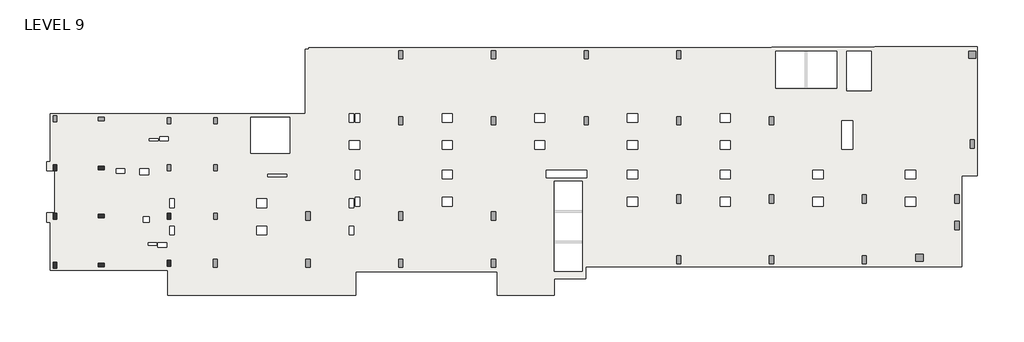
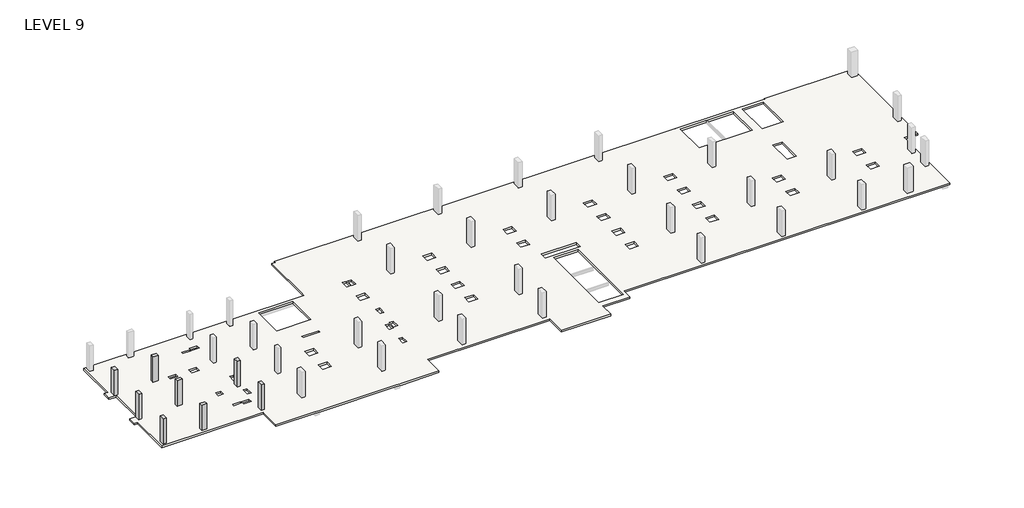
# One storey, part 1 of 2: 8 columns, 1 slab.
"""IFC4 building model written with IfcOpenShell, lengths in millimetres."""

import ifcopenshell
import ifcopenshell.guid

model = None  # the IFC model being written
_history = None  # IfcOwnerHistory: only IFC2X3 demands one
_inside = {}  # id of a spatial element -> (the spatial element, [elements in it])
_under = {}  # id of a project, library or spatial element -> (it, [spatial elements below it])
_declared = {}  # id of a project -> (the project, [libraries it declares])
_typed = {}  # id of a type object -> (the type object, [elements of that type])
_made_of = {}  # id of a material, layer set ... -> (it, [elements and type objects made of it])


def new_model(schema):
    """Start an empty IFC model of exactly this schema.

    Asked for "IFC4X3", IfcOpenShell would pick the latest addendum, in which some entities
    have other attributes; the version numbers below select the first issue.
    IFC2X3 requires an IfcOwnerHistory on every rooted entity: one is made here for all.
    """
    global model, _history
    if schema == "IFC4X3":
        model = ifcopenshell.file(schema_version=(4, 3, 0, 0))
    else:
        model = ifcopenshell.file(schema=schema)
    _inside.clear()
    _under.clear()
    _declared.clear()
    _typed.clear()
    _made_of.clear()
    _history = None
    if model.schema == "IFC2X3":
        org = make("IfcOrganization", Name="unknown")
        user = make(
            "IfcPersonAndOrganization",
            ThePerson=make("IfcPerson", FamilyName="unknown"),
            TheOrganization=org,
        )
        app = make(
            "IfcApplication",
            ApplicationDeveloper=org,
            Version="unknown",
            ApplicationFullName="unknown",
            ApplicationIdentifier="unknown",
        )
        _history = make(
            "IfcOwnerHistory",
            OwningUser=user,
            OwningApplication=app,
            ChangeAction="ADDED",
            CreationDate=0,
        )
    return model


def make(cls, **values):
    """One entity of the class cls with the attributes given. An attribute that is None is left unset."""
    return model.create_entity(
        cls, **{name: value for name, value in values.items() if value is not None}
    )


def rooted(cls, **values):
    """An entity with a GlobalId (a new one), such as an element, a storey or a relation."""
    return make(cls, GlobalId=ifcopenshell.guid.new(), OwnerHistory=_history, **values)


def si_unit(unit_type, name, prefix=None):
    """IfcSIUnit, for example si_unit("LENGTHUNIT", "METRE", prefix="MILLI")."""
    return make("IfcSIUnit", UnitType=unit_type, Prefix=prefix, Name=name)


def assignment(units):
    """IfcUnitAssignment: the units of a project."""
    return None if units is None else make("IfcUnitAssignment", Units=units)


def point(xyz):
    """IfcCartesianPoint."""
    return None if xyz is None else make("IfcCartesianPoint", Coordinates=xyz)


def direction(xyz):
    """IfcDirection."""
    return None if xyz is None else make("IfcDirection", DirectionRatios=xyz)


def frame(location, z_axis=None, x_axis=None):
    """IfcAxis2Placement3D, a coordinate frame: its origin and axes. An axis left out is left unset."""
    return make(
        "IfcAxis2Placement3D",
        Location=point(location),
        Axis=direction(z_axis),
        RefDirection=direction(x_axis),
    )


def origin():
    """The frame at (0, 0, 0) with its axes left unset."""
    return frame((0.0, 0.0, 0.0))


def place(relative_to, where):
    """IfcLocalPlacement: puts the frame where relative to a parent placement (None: the world)."""
    return make(
        "IfcLocalPlacement", PlacementRelTo=relative_to, RelativePlacement=where
    )


def context(
    kind, dimensions, precision=None, world=None, true_north=None, identifier=None
):
    """IfcGeometricRepresentationContext, for example the 3D "Model" context."""
    return make(
        "IfcGeometricRepresentationContext",
        ContextIdentifier=identifier,
        ContextType=kind,
        CoordinateSpaceDimension=dimensions,
        Precision=precision,
        WorldCoordinateSystem=world,
        TrueNorth=true_north,
    )


def project(units=None, contexts=None):
    """IfcProject with its units and contexts."""
    return rooted(
        "IfcProject",
        Name="project",
        RepresentationContexts=contexts,
        UnitsInContext=assignment(units),
    )


def spatial(cls, under=None, at=None, **own):
    """A site, building, storey or space (cls), placed at a placement, below another one or the project."""
    s = rooted(cls, ObjectPlacement=at, **own)
    if under is not None:
        _under.setdefault(under.id(), (under, []))[1].append(s)
    return s


def polyline(points):
    """IfcPolyline through the points."""
    return make("IfcPolyline", Points=[point(p) for p in points])


def outline(outer, holes=None, kind="AREA"):
    """IfcArbitraryClosedProfileDef: a profile drawn as a closed curve; with holes, ...WithVoids."""
    if holes is None:
        return make("IfcArbitraryClosedProfileDef", ProfileType=kind, OuterCurve=outer)
    return make(
        "IfcArbitraryProfileDefWithVoids",
        ProfileType=kind,
        OuterCurve=outer,
        InnerCurves=holes,
    )


def extrude(swept, where, along, depth):
    """IfcExtrudedAreaSolid: the profile swept, set in the frame where, extruded along a direction by depth."""
    return make(
        "IfcExtrudedAreaSolid",
        SweptArea=swept,
        Position=where,
        ExtrudedDirection=direction(along),
        Depth=depth,
    )


def faces_of(points, faces, orient=None, outer=None):
    """IfcFace entities. A face is a list of loops; a loop is a list of indices into points, from 0.

    orient and outer hold one flag for each loop. By default every Orientation is true, the
    first loop of a face is its IfcFaceOuterBound and the others are IfcFaceBound.
    """
    made = []
    for i, loops in enumerate(faces):
        bounds = []
        for j, loop in enumerate(loops):
            is_outer = j == 0 if outer is None else outer[i][j]
            bounds.append(
                make(
                    "IfcFaceOuterBound" if is_outer else "IfcFaceBound",
                    Bound=make("IfcPolyLoop", Polygon=[points[k] for k in loop]),
                    Orientation=True if orient is None else orient[i][j],
                )
            )
        made.append(make("IfcFace", Bounds=bounds))
    return made


def faceted_brep(points, faces, orient=None, outer=None, voids=None):
    """IfcFacetedBrep: a solid bounded by flat faces; with voids (closed shells), ...WithVoids."""
    shared = [point(p) for p in points]
    hull = make("IfcClosedShell", CfsFaces=faces_of(shared, faces, orient, outer))
    if voids is None:
        return make("IfcFacetedBrep", Outer=hull)
    return make(
        "IfcFacetedBrepWithVoids",
        Outer=hull,
        Voids=[
            make(cls, CfsFaces=faces_of(shared, fs, o, b)) for cls, fs, o, b in voids
        ],
    )


def shape(context_of_items, identifier, shape_type, items):
    """IfcShapeRepresentation: the items that make up one representation, for example the "Body"."""
    return make(
        "IfcShapeRepresentation",
        ContextOfItems=context_of_items,
        RepresentationIdentifier=identifier,
        RepresentationType=shape_type,
        Items=items,
    )


def made_of(thing, what):
    """Note that an element or type object is made of a material, layer set ...; save() writes the relation."""
    if what is not None:
        _made_of.setdefault(what.id(), (what, []))[1].append(thing)
    return thing


def element(
    cls,
    number,
    at=None,
    inside=None,
    cuts=None,
    type_object=None,
    material=None,
    context=None,
    identifier="Body",
    shape_type=None,
    held_by="IfcProductDefinitionShape",
    body=None,
    shapes=None,
    **own,
):
    """One element of the class cls, such as IfcWall. Its Tag is "e" and its number.

    at: its placement. inside: the storey or other place that contains it. cuts: it is an
    opening in that element (IfcRelVoidsElement). A single representation is given by context,
    identifier, shape_type and body (its items); several are given by shapes. held_by: the class
    of the entity that holds the representations. save() writes the other relations.
    """
    e = rooted(cls, Tag="e%d" % number, ObjectPlacement=at, **own)
    if body is not None:
        shapes = [shape(context, identifier, shape_type, body)]
    if shapes is not None:
        e.Representation = make(held_by, Representations=shapes)
    if inside is not None:
        _inside.setdefault(inside.id(), (inside, []))[1].append(e)
    if cuts is not None:
        rooted(
            "IfcRelVoidsElement", RelatingBuildingElement=cuts, RelatedOpeningElement=e
        )
    if type_object is not None:
        _typed.setdefault(type_object.id(), (type_object, []))[1].append(e)
    return made_of(e, material)


def aggregate(whole, parts):
    """IfcRelAggregates: a whole, such as a stair, and the parts it consists of."""
    return rooted("IfcRelAggregates", RelatingObject=whole, RelatedObjects=parts)


def save(model, path):
    """Write the relations noted so far, then the file.

    IfcRelAggregates (storeys below a building ...), IfcRelContainedInSpatialStructure (elements
    in a storey), IfcRelDefinesByType, IfcRelAssociatesMaterial and IfcRelDeclares: one each for
    every whole, place, type object, material and project.
    """
    for whole, parts in _under.values():
        aggregate(whole, parts)
    for where, things in _inside.values():
        rooted(
            "IfcRelContainedInSpatialStructure",
            RelatedElements=things,
            RelatingStructure=where,
        )
    for kind, things in _typed.values():
        rooted("IfcRelDefinesByType", RelatedObjects=things, RelatingType=kind)
    for what, things in _made_of.values():
        rooted("IfcRelAssociatesMaterial", RelatedObjects=things, RelatingMaterial=what)
    for by, libraries in _declared.values():
        rooted("IfcRelDeclares", RelatingContext=by, RelatedDefinitions=libraries)
    model.write(path)


model = new_model("IFC4")

# Units and contexts
model_context = context("Model", 3, world=origin())
ifc_project = project(units=[si_unit("LENGTHUNIT", "METRE", prefix="MILLI")], contexts=[model_context])

# Site, building, storey
site = spatial("IfcSite", under=ifc_project)
building = spatial("IfcBuilding", under=site)
storey = spatial("IfcBuildingStorey", under=building, Name="LEVEL 9", Elevation=27432.0)

# Columns
placement = place(None, origin())
element("IfcColumn", 1, ObjectType="UC Concrete-Rectangular-Column : 12 x 20", at=placement, inside=storey, context=model_context, shape_type="SweptSolid", body=[
    extrude(outline(polyline([(-12613.7610058, -25075.0962939), (-12613.7610058, -25583.0962939), (-12918.5610058, -25583.0962939), (-12918.5610058, -25075.0962939), (-12613.7610058, -25075.0962939)])), frame((0.0, 0.0, 27432.0), z_axis=(0.0, 0.0, 1.0), x_axis=(1.0, 0.0, 0.0)), (0.0, 0.0, 1.0), 2667.0),
])
element("IfcColumn", 2, ObjectType="UC Concrete-Rectangular-Column : 12 x 20", at=placement, inside=storey, context=model_context, shape_type="SweptSolid", body=[
    extrude(outline(polyline([(-9057.7610058, -25176.6962939), (-8549.7610058, -25176.6962939), (-8549.7610058, -25481.4962939), (-9057.7610058, -25481.4962939), (-9057.7610058, -25176.6962939)])), frame((0.0, 0.0, 27432.0), z_axis=(0.0, 0.0, 1.0), x_axis=(1.0, 0.0, 0.0)), (0.0, 0.0, 1.0), 2667.0),
])
element("IfcColumn", 3, ObjectType="UC Concrete-Rectangular-Column : 12 x 20", at=placement, inside=storey, context=model_context, shape_type="SweptSolid", body=[
    extrude(outline(polyline([(-12613.7610058, -29189.8962158), (-12613.7610058, -29697.8962158), (-12918.5610058, -29697.8962158), (-12918.5610058, -29189.8962158), (-12613.7610058, -29189.8962158)])), frame((0.0, 0.0, 27432.0), z_axis=(0.0, 0.0, 1.0), x_axis=(1.0, 0.0, 0.0)), (0.0, 0.0, 1.0), 2667.0),
])
element("IfcColumn", 4, ObjectType="UC Concrete-Rectangular-Column : 12 x 20", at=placement, inside=storey, context=model_context, shape_type="SweptSolid", body=[
    extrude(outline(polyline([(-8549.7610058, -29596.2962158), (-9057.7610058, -29596.2962158), (-9057.7610058, -29291.4962158), (-8549.7610058, -29291.4962158), (-8549.7610058, -29596.2962158)])), frame((0.0, 0.0, 27432.0), z_axis=(0.0, 0.0, 1.0), x_axis=(1.0, 0.0, 0.0)), (0.0, 0.0, 1.0), 2667.0),
])
element("IfcColumn", 5, ObjectType="UC Concrete-Rectangular-Column : 12 x 20", at=placement, inside=storey, context=model_context, shape_type="SweptSolid", body=[
    extrude(outline(polyline([(-12613.7610058, -33380.9107149), (-12613.7610058, -33888.9107149), (-12918.5610058, -33888.9107149), (-12918.5610058, -33380.9107149), (-12613.7610058, -33380.9107149)])), frame((0.0, 0.0, 27432.0), z_axis=(0.0, 0.0, 1.0), x_axis=(1.0, 0.0, 0.0)), (0.0, 0.0, 1.0), 2667.0),
])
element("IfcColumn", 6, ObjectType="UC Concrete-Rectangular-Column : 12 x 20", at=placement, inside=storey, context=model_context, shape_type="SweptSolid", body=[
    extrude(outline(polyline([(-9057.7610058, -33482.5107149), (-8549.7610058, -33482.5107149), (-8549.7610058, -33787.3107149), (-9057.7610058, -33787.3107149), (-9057.7610058, -33482.5107149)])), frame((0.0, 0.0, 27432.0), z_axis=(0.0, 0.0, 1.0), x_axis=(1.0, 0.0, 0.0)), (0.0, 0.0, 1.0), 2667.0),
])
element("IfcColumn", 7, ObjectType="UC Concrete-Rectangular-Column : 12 x 20", at=placement, inside=storey, context=model_context, shape_type="SweptSolid", body=[
    extrude(outline(polyline([(-2860.1610058, -29189.8962158), (-2860.1610058, -29697.8962158), (-3164.9610058, -29697.8962158), (-3164.9610058, -29189.8962158), (-2860.1610058, -29189.8962158)])), frame((0.0, 0.0, 27432.0), z_axis=(0.0, 0.0, 1.0), x_axis=(1.0, 0.0, 0.0)), (0.0, 0.0, 1.0), 2667.0),
])
element("IfcColumn", 8, ObjectType="UC Concrete-Rectangular-Column : 12 x 20", at=placement, inside=storey, context=model_context, shape_type="SweptSolid", body=[
    extrude(outline(polyline([(-2860.1610058, -33228.5107149), (-2860.1610058, -33736.5107149), (-3164.9610058, -33736.5107149), (-3164.9610058, -33228.5107149), (-2860.1610058, -33228.5107149)])), frame((0.0, 0.0, 27432.0), z_axis=(0.0, 0.0, 1.0), x_axis=(1.0, 0.0, 0.0)), (0.0, 0.0, 1.0), 2667.0),
])

# Slab
element("IfcSlab", 9, ObjectType="7\" Concrete", at=placement, inside=storey, context=model_context, shape_type="Brep", body=[
    faceted_brep([(57329.9014942, -15029.4107149, 27254.2), (57329.9014942, -14953.2107149, 27254.2), (66100.8383695, -14953.2107149, 27254.2), (66100.8383695, -25989.5107149, 27254.2), (64773.6889942, -25989.5107149, 27254.2), (64773.6889942, -33774.6107149, 27254.2), (32604.5889942, -33774.6107149, 27254.2), (32604.5889942, -34790.6107149, 27254.2), (29915.3639942, -34790.6107149, 27254.2), (29915.3639942, -36213.0107149, 27254.2), (25029.0393065, -36213.0107149, 27254.2), (25029.0393065, -34219.1107149, 27254.2), (12964.0386818, -34219.1107149, 27254.2), (12964.0386818, -36213.0107149, 27254.2), (9077.8389942, -36213.0107149, 27254.2), (8671.4389942, -36213.0107149, 27254.2), (1153.0389942, -36213.0107149, 27254.2), (746.6389942, -36213.0107149, 27254.2), (-3120.5110058, -36213.0107149, 27254.2), (-3120.5110058, -34060.3310305, 27254.2), (-13155.4513218, -34060.3310305, 27254.2), (-13155.4513218, -29958.2607149, 27254.2), (-13483.7110058, -29958.2607149, 27254.2), (-13483.7110058, -29183.5607149, 27254.2), (-12766.1169468, -29183.5607149, 27254.2), (-12766.1169468, -25589.4607149, 27254.2), (-13483.7110058, -25589.4607149, 27254.2), (-13483.7110058, -24814.7607149, 27254.2), (-13155.4513218, -24814.7607149, 27254.2), (-13155.4513218, -20712.6903994, 27254.2), (797.4389942, -20712.6903994, 27254.2), (8620.6389942, -20712.6903994, 27254.2), (8620.6389942, -15197.6857149, 27254.2), (8925.4389942, -15197.6857149, 27254.2), (8925.4389942, -15054.8107149, 27254.2), (48511.3389942, -15054.8107149, 27254.2), (48511.3389942, -15029.4107149, 27254.2), (54078.7014942, -15334.2107149, 27254.2), (48846.3014942, -15334.2107149, 27254.2), (48846.3014942, -18511.7121146, 27254.2), (54078.7014942, -18511.7121146, 27254.2), (29912.1889942, -34181.7272222, 27254.2), (32299.7889942, -34181.7272222, 27254.2), (32299.7889942, -26487.2692077, 27254.2), (29912.1889942, -26487.2692077, 27254.2), (3972.4389942, -21017.4903994, 27254.2), (3972.4389942, -24095.6232149, 27254.2), (7325.2389942, -24095.6232149, 27254.2), (7325.2389942, -21017.4903994, 27254.2), (57025.1014942, -15334.2107149, 27254.2), (54933.1413578, -15334.2107149, 27254.2), (54933.1413578, -18744.1607149, 27254.2), (57025.1014942, -18744.1607149, 27254.2), (29123.2162484, -20696.7857149, 27254.2), (28250.0617399, -20696.7857149, 27254.2), (28250.0617399, -21427.0315227, 27254.2), (29123.2162484, -21427.0315227, 27254.2), (29123.2329503, -23011.3607149, 27254.2), (28250.045038, -23011.3607149, 27254.2), (28250.045038, -23744.7857149, 27254.2), (29123.2329503, -23744.7857149, 27254.2), (37048.0162484, -20696.7857149, 27254.2), (36174.8617399, -20696.7857149, 27254.2), (36174.8617399, -21427.0315227, 27254.2), (37048.0162484, -21427.0315227, 27254.2), (37048.0329503, -23011.3607149, 27254.2), (36174.845038, -23011.3607149, 27254.2), (36174.845038, -23744.7857149, 27254.2), (37048.0329503, -23744.7857149, 27254.2), (37048.0329503, -25541.8357149, 27254.2), (36174.8784418, -25541.8357149, 27254.2), (36174.8784418, -26272.0815227, 27254.2), (37048.0329503, -26272.0815227, 27254.2), (37048.0496522, -27856.4107149, 27254.2), (36174.8617399, -27856.4107149, 27254.2), (36174.8617399, -28589.8357149, 27254.2), (37048.0496522, -28589.8357149, 27254.2), (44972.8162484, -20696.7857149, 27254.2), (44099.6617399, -20696.7857149, 27254.2), (44099.6617399, -21427.0315227, 27254.2), (44972.8162484, -21427.0315227, 27254.2), (44972.8329503, -23011.3607149, 27254.2), (44099.645038, -23011.3607149, 27254.2), (44099.645038, -23744.7857149, 27254.2), (44972.8329503, -23744.7857149, 27254.2), (44972.8329503, -25541.8357149, 27254.2), (44099.6784418, -25541.8357149, 27254.2), (44099.6784418, -26272.0815227, 27254.2), (44972.8329503, -26272.0815227, 27254.2), (44972.8496522, -27856.4107149, 27254.2), (44099.6617399, -27856.4107149, 27254.2), (44099.6617399, -28589.8357149, 27254.2), (44972.8496522, -28589.8357149, 27254.2), (55421.7306924, -21315.9107149, 27254.2), (54513.6767085, -21315.9107149, 27254.2), (54513.6767085, -23754.3107149, 27254.2), (55421.7306924, -23754.3107149, 27254.2), (52897.6329503, -25541.8357149, 27254.2), (52024.4784418, -25541.8357149, 27254.2), (52024.4784418, -26272.0815227, 27254.2), (52897.6329503, -26272.0815227, 27254.2), (52897.6496522, -27856.4107149, 27254.2), (52024.4617399, -27856.4107149, 27254.2), (52024.4617399, -28589.8357149, 27254.2), (52897.6496522, -28589.8357149, 27254.2), (60822.4329503, -25541.8357149, 27254.2), (59949.2784418, -25541.8357149, 27254.2), (59949.2784418, -26272.0815227, 27254.2), (60822.4329503, -26272.0815227, 27254.2), (60822.4496522, -27856.4107149, 27254.2), (59949.2617399, -27856.4107149, 27254.2), (59949.2617399, -28589.8357149, 27254.2), (60822.4496522, -28589.8357149, 27254.2), (21198.4162484, -20696.7857149, 27254.2), (20325.2617399, -20696.7857149, 27254.2), (20325.2617399, -21427.0315227, 27254.2), (21198.4162484, -21427.0315227, 27254.2), (21198.4329503, -23011.3607149, 27254.2), (20325.245038, -23011.3607149, 27254.2), (20325.245038, -23744.7857149, 27254.2), (21198.4329503, -23744.7857149, 27254.2), (21198.4329503, -25540.2600871, 27254.2), (20325.245038, -25540.2600871, 27254.2), (20325.245038, -26273.6850871, 27254.2), (21198.4329503, -26273.6850871, 27254.2), (21198.4329503, -27856.4247435, 27254.2), (20325.245038, -27856.4247435, 27254.2), (20325.245038, -28589.8497435, 27254.2), (21198.4329503, -28589.8497435, 27254.2), (13273.6162484, -23011.3747435, 27254.2), (12400.4283362, -23011.3747435, 27254.2), (12400.4283362, -23744.7997435, 27254.2), (13273.6162484, -23744.7997435, 27254.2), (13273.6329503, -25549.7872435, 27254.2), (12898.9511818, -25549.7872435, 27254.2), (12898.9511818, -26283.2122435, 27254.2), (13273.6329503, -26283.2122435, 27254.2), (13273.6329503, -27858.0306162, 27254.2), (12898.9511818, -27858.0306162, 27254.2), (12898.9511818, -28591.4556162, 27254.2), (13273.6329503, -28591.4556162, 27254.2), (12775.1350013, -27980.26602, 27254.2), (12400.4532328, -27980.26602, 27254.2), (12400.4532328, -28713.69102, 27254.2), (12775.1350013, -28713.69102, 27254.2), (12775.1350013, -30296.4143396, 27254.2), (12400.4532328, -30296.4143396, 27254.2), (12400.4532328, -31029.8393396, 27254.2), (12775.1350013, -31029.8393396, 27254.2), (5348.8159361, -30296.4143396, 27254.2), (4475.6620523, -30296.4143396, 27254.2), (4475.6620523, -31029.8393396, 27254.2), (5348.8159361, -31029.8393396, 27254.2), (-4736.5860058, -25391.0377141, 27254.2), (-5495.4110058, -25391.0377141, 27254.2), (-5495.4110058, -25894.3063579, 27254.2), (-4736.5860058, -25894.3063579, 27254.2), (-2575.9840639, -30297.9899072, 27254.2), (-2936.3610058, -30297.9899072, 27254.2), (-2936.3610058, -31028.2357149, 27254.2), (-2575.9840639, -31028.2357149, 27254.2), (-2575.9673621, -27980.2327488, 27254.2), (-2936.3610058, -27980.2327488, 27254.2), (-2936.3610058, -28713.6577488, 27254.2), (-2575.9673621, -28713.6577488, 27254.2), (-3955.5318136, -31734.6434324, 27254.2), (-3955.5318136, -32129.9453743, 27254.2), (-3212.5860058, -32129.9453743, 27254.2), (-3212.5860058, -31734.6434324, 27254.2), (-4809.6068136, -31744.9675477, 27254.2), (-4809.6068136, -31933.1120762, 27254.2), (-4050.7818136, -31933.1120762, 27254.2), (-4050.7818136, -31744.9675477, 27254.2), (13273.6245994, -20696.7857149, 27254.2), (12898.9428309, -20696.7857149, 27254.2), (12898.9428309, -21427.0315227, 27254.2), (13273.6245994, -21427.0315227, 27254.2), (12775.1351575, -20696.7857149, 27254.2), (12400.453389, -20696.7857149, 27254.2), (12400.453389, -21427.0315227, 27254.2), (12775.1351575, -21427.0315227, 27254.2), (-4685.7818136, -22839.9093537, 27254.2), (-4685.7818136, -23025.6779974, 27254.2), (-3926.9568136, -23025.6779974, 27254.2), (-3926.9568136, -22839.9093537, 27254.2), (-5207.5557798, -29505.837636, 27254.2), (-5207.5557798, -29980.4953131, 27254.2), (-4708.0110058, -29980.4953131, 27254.2), (-4708.0110058, -29505.837636, 27254.2), (29254.9639942, -25513.2607149, 27254.2), (29254.9639942, -26182.4692077, 27254.2), (32693.4889942, -26182.4692077, 27254.2), (32693.4889942, -25513.2607149, 27254.2), (7044.9556867, -25881.5621481, 27254.2), (5407.1871152, -25881.5621481, 27254.2), (5407.1871152, -26084.7621481, 27254.2), (7044.9556867, -26084.7621481, 27254.2), (5348.8159361, -27981.0375273, 27254.2), (4475.6620523, -27981.0375273, 27254.2), (4475.6620523, -28714.4625273, 27254.2), (5348.8159361, -28714.4625273, 27254.2), (-7516.3006019, -25401.3473693, 27254.2), (-7516.3006019, -25776.0291377, 27254.2), (-6782.8756019, -25776.0291377, 27254.2), (-6782.8756019, -25401.3473693, 27254.2), (-3826.9323811, -22647.0361423, 27254.2), (-3826.9323811, -23021.7179107, 27254.2), (-3093.5073811, -23021.7179107, 27254.2), (-3093.5073811, -22647.0361423, 27254.2), (57329.9014942, -14953.2107149, 27432.0), (57329.9014942, -15029.4107149, 27432.0), (48511.3389942, -15029.4107149, 27432.0), (48511.3389942, -15054.8107149, 27432.0), (8925.4389942, -15054.8107149, 27432.0), (8925.4389942, -15197.6857149, 27432.0), (8620.6389942, -15197.6857149, 27432.0), (8620.6389942, -20712.6903994, 27432.0), (-13155.4513218, -20712.6903994, 27432.0), (-13155.4513218, -24814.7607149, 27432.0), (-13483.7110058, -24814.7607149, 27432.0), (-13483.7110058, -25589.4607149, 27432.0), (-12766.1169468, -25589.4607149, 27432.0), (-12766.1169468, -29183.5607149, 27432.0), (-13483.7110058, -29183.5607149, 27432.0), (-13483.7110058, -29958.2607149, 27432.0), (-13155.4513218, -29958.2607149, 27432.0), (-13155.4513218, -34060.3310305, 27432.0), (-3120.5110058, -34060.3310305, 27432.0), (-3120.5110058, -36213.0107149, 27432.0), (12964.0386818, -36213.0107149, 27432.0), (12964.0386818, -34219.1107149, 27432.0), (25029.0393065, -34219.1107149, 27432.0), (25029.0393065, -36213.0107149, 27432.0), (29915.3639942, -36213.0107149, 27432.0), (29915.3639942, -34790.6107149, 27432.0), (32604.5889942, -34790.6107149, 27432.0), (32604.5889942, -33774.6107149, 27432.0), (64773.6889942, -33774.6107149, 27432.0), (64773.6889942, -25989.5107149, 27432.0), (66100.8383695, -25989.5107149, 27432.0), (66100.8383695, -14953.2107149, 27432.0), (48846.3014942, -15334.2107149, 27432.0), (54078.7014942, -15334.2107149, 27432.0), (54078.7014942, -18511.7121146, 27432.0), (48846.3014942, -18511.7121146, 27432.0), (32299.7889942, -34181.7272222, 27432.0), (29912.1889942, -34181.7272222, 27432.0), (29912.1889942, -26487.2692077, 27432.0), (32299.7889942, -26487.2692077, 27432.0), (3972.4389942, -24095.6232149, 27432.0), (3972.4389942, -21017.4903994, 27432.0), (7325.2389942, -21017.4903994, 27432.0), (7325.2389942, -24095.6232149, 27432.0), (54933.1413578, -15334.2107149, 27432.0), (57025.1014942, -15334.2107149, 27432.0), (57025.1014942, -18744.1607149, 27432.0), (54933.1413578, -18744.1607149, 27432.0), (28250.0617399, -20696.7857149, 27432.0), (29123.2162484, -20696.7857149, 27432.0), (29123.2162484, -21427.0315227, 27432.0), (28250.0617399, -21427.0315227, 27432.0), (28250.045038, -23011.3607149, 27432.0), (29123.2329503, -23011.3607149, 27432.0), (29123.2329503, -23744.7857149, 27432.0), (28250.045038, -23744.7857149, 27432.0), (36174.8617399, -20696.7857149, 27432.0), (37048.0162484, -20696.7857149, 27432.0), (37048.0162484, -21427.0315227, 27432.0), (36174.8617399, -21427.0315227, 27432.0), (36174.845038, -23011.3607149, 27432.0), (37048.0329503, -23011.3607149, 27432.0), (37048.0329503, -23744.7857149, 27432.0), (36174.845038, -23744.7857149, 27432.0), (36174.8784418, -25541.8357149, 27432.0), (37048.0329503, -25541.8357149, 27432.0), (37048.0329503, -26272.0815227, 27432.0), (36174.8784418, -26272.0815227, 27432.0), (36174.8617399, -27856.4107149, 27432.0), (37048.0496522, -27856.4107149, 27432.0), (37048.0496522, -28589.8357149, 27432.0), (36174.8617399, -28589.8357149, 27432.0), (44099.6617399, -20696.7857149, 27432.0), (44972.8162484, -20696.7857149, 27432.0), (44972.8162484, -21427.0315227, 27432.0), (44099.6617399, -21427.0315227, 27432.0), (44099.645038, -23011.3607149, 27432.0), (44972.8329503, -23011.3607149, 27432.0), (44972.8329503, -23744.7857149, 27432.0), (44099.645038, -23744.7857149, 27432.0), (44099.6784418, -25541.8357149, 27432.0), (44972.8329503, -25541.8357149, 27432.0), (44972.8329503, -26272.0815227, 27432.0), (44099.6784418, -26272.0815227, 27432.0), (44099.6617399, -27856.4107149, 27432.0), (44972.8496522, -27856.4107149, 27432.0), (44972.8496522, -28589.8357149, 27432.0), (44099.6617399, -28589.8357149, 27432.0), (54513.6767085, -21315.9107149, 27432.0), (55421.7306924, -21315.9107149, 27432.0), (55421.7306924, -23754.3107149, 27432.0), (54513.6767085, -23754.3107149, 27432.0), (52024.4784418, -25541.8357149, 27432.0), (52897.6329503, -25541.8357149, 27432.0), (52897.6329503, -26272.0815227, 27432.0), (52024.4784418, -26272.0815227, 27432.0), (52024.4617399, -27856.4107149, 27432.0), (52897.6496522, -27856.4107149, 27432.0), (52897.6496522, -28589.8357149, 27432.0), (52024.4617399, -28589.8357149, 27432.0), (59949.2784418, -25541.8357149, 27432.0), (60822.4329503, -25541.8357149, 27432.0), (60822.4329503, -26272.0815227, 27432.0), (59949.2784418, -26272.0815227, 27432.0), (59949.2617399, -27856.4107149, 27432.0), (60822.4496522, -27856.4107149, 27432.0), (60822.4496522, -28589.8357149, 27432.0), (59949.2617399, -28589.8357149, 27432.0), (20325.2617399, -20696.7857149, 27432.0), (21198.4162484, -20696.7857149, 27432.0), (21198.4162484, -21427.0315227, 27432.0), (20325.2617399, -21427.0315227, 27432.0), (20325.245038, -23011.3607149, 27432.0), (21198.4329503, -23011.3607149, 27432.0), (21198.4329503, -23744.7857149, 27432.0), (20325.245038, -23744.7857149, 27432.0), (20325.245038, -25540.2600871, 27432.0), (21198.4329503, -25540.2600871, 27432.0), (21198.4329503, -26273.6850871, 27432.0), (20325.245038, -26273.6850871, 27432.0), (20325.245038, -27856.4247435, 27432.0), (21198.4329503, -27856.4247435, 27432.0), (21198.4329503, -28589.8497435, 27432.0), (20325.245038, -28589.8497435, 27432.0), (12400.4283362, -23011.3747435, 27432.0), (13273.6162484, -23011.3747435, 27432.0), (13273.6162484, -23744.7997435, 27432.0), (12400.4283362, -23744.7997435, 27432.0), (12898.9511818, -25549.7872435, 27432.0), (13273.6329503, -25549.7872435, 27432.0), (13273.6329503, -26283.2122435, 27432.0), (12898.9511818, -26283.2122435, 27432.0), (12898.9511818, -27858.0306162, 27432.0), (13273.6329503, -27858.0306162, 27432.0), (13273.6329503, -28591.4556162, 27432.0), (12898.9511818, -28591.4556162, 27432.0), (12400.4532328, -27980.26602, 27432.0), (12775.1350013, -27980.26602, 27432.0), (12775.1350013, -28713.69102, 27432.0), (12400.4532328, -28713.69102, 27432.0), (12400.4532328, -30296.4143396, 27432.0), (12775.1350013, -30296.4143396, 27432.0), (12775.1350013, -31029.8393396, 27432.0), (12400.4532328, -31029.8393396, 27432.0), (4475.6620523, -30296.4143396, 27432.0), (5348.8159361, -30296.4143396, 27432.0), (5348.8159361, -31029.8393396, 27432.0), (4475.6620523, -31029.8393396, 27432.0), (-5495.4110058, -25391.0377141, 27432.0), (-4736.5860058, -25391.0377141, 27432.0), (-4736.5860058, -25894.3063579, 27432.0), (-5495.4110058, -25894.3063579, 27432.0), (-2936.3610058, -30297.9899072, 27432.0), (-2575.9840639, -30297.9899072, 27432.0), (-2575.9840639, -31028.2357149, 27432.0), (-2936.3610058, -31028.2357149, 27432.0), (-2936.3610058, -27980.2327488, 27432.0), (-2575.9673621, -27980.2327488, 27432.0), (-2575.9673621, -28713.6577488, 27432.0), (-2936.3610058, -28713.6577488, 27432.0), (-3955.5318136, -32129.9453743, 27432.0), (-3955.5318136, -31734.6434324, 27432.0), (-3212.5860058, -31734.6434324, 27432.0), (-3212.5860058, -32129.9453743, 27432.0), (-4809.6068136, -31933.1120762, 27432.0), (-4809.6068136, -31744.9675477, 27432.0), (-4050.7818136, -31744.9675477, 27432.0), (-4050.7818136, -31933.1120762, 27432.0), (12898.9428309, -20696.7857149, 27432.0), (13273.6245994, -20696.7857149, 27432.0), (13273.6245994, -21427.0315227, 27432.0), (12898.9428309, -21427.0315227, 27432.0), (12400.453389, -20696.7857149, 27432.0), (12775.1351575, -20696.7857149, 27432.0), (12775.1351575, -21427.0315227, 27432.0), (12400.453389, -21427.0315227, 27432.0), (-4685.7818136, -23025.6779974, 27432.0), (-4685.7818136, -22839.9093537, 27432.0), (-3926.9568136, -22839.9093537, 27432.0), (-3926.9568136, -23025.6779974, 27432.0), (-5207.5557798, -29980.4953131, 27432.0), (-5207.5557798, -29505.837636, 27432.0), (-4708.0110058, -29505.837636, 27432.0), (-4708.0110058, -29980.4953131, 27432.0), (29254.9639942, -26182.4692077, 27432.0), (29254.9639942, -25513.2607149, 27432.0), (32693.4889942, -25513.2607149, 27432.0), (32693.4889942, -26182.4692077, 27432.0), (5407.1871152, -25881.5621481, 27432.0), (7044.9556867, -25881.5621481, 27432.0), (7044.9556867, -26084.7621481, 27432.0), (5407.1871152, -26084.7621481, 27432.0), (4475.6620523, -27981.0375273, 27432.0), (5348.8159361, -27981.0375273, 27432.0), (5348.8159361, -28714.4625273, 27432.0), (4475.6620523, -28714.4625273, 27432.0), (-7516.3006019, -25776.0291377, 27432.0), (-7516.3006019, -25401.3473693, 27432.0), (-6782.8756019, -25401.3473693, 27432.0), (-6782.8756019, -25776.0291377, 27432.0), (-3826.9323811, -23021.7179107, 27432.0), (-3826.9323811, -22647.0361423, 27432.0), (-3093.5073811, -22647.0361423, 27432.0), (-3093.5073811, -23021.7179107, 27432.0)], [[[0, 1, 2, 3, 4, 5, 6, 7, 8, 9, 10, 11, 12, 13, 14, 15, 16, 17, 18, 19, 20, 21, 22, 23, 24, 25, 26, 27, 28, 29, 30, 31, 32, 33, 34, 35, 36], [37, 38, 39, 40], [41, 42, 43, 44], [45, 46, 47, 48], [49, 50, 51, 52], [53, 54, 55, 56], [57, 58, 59, 60], [61, 62, 63, 64], [65, 66, 67, 68], [69, 70, 71, 72], [73, 74, 75, 76], [77, 78, 79, 80], [81, 82, 83, 84], [85, 86, 87, 88], [89, 90, 91, 92], [93, 94, 95, 96], [97, 98, 99, 100], [101, 102, 103, 104], [105, 106, 107, 108], [109, 110, 111, 112], [113, 114, 115, 116], [117, 118, 119, 120], [121, 122, 123, 124], [125, 126, 127, 128], [129, 130, 131, 132], [133, 134, 135, 136], [137, 138, 139, 140], [141, 142, 143, 144], [145, 146, 147, 148], [149, 150, 151, 152], [153, 154, 155, 156], [157, 158, 159, 160], [161, 162, 163, 164], [165, 166, 167, 168], [169, 170, 171, 172], [173, 174, 175, 176], [177, 178, 179, 180], [181, 182, 183, 184], [185, 186, 187, 188], [189, 190, 191, 192], [193, 194, 195, 196], [197, 198, 199, 200], [201, 202, 203, 204], [205, 206, 207, 208]], [[209, 210, 211, 212, 213, 214, 215, 216, 217, 218, 219, 220, 221, 222, 223, 224, 225, 226, 227, 228, 229, 230, 231, 232, 233, 234, 235, 236, 237, 238, 239, 240], [241, 242, 243, 244], [245, 246, 247, 248], [249, 250, 251, 252], [253, 254, 255, 256], [257, 258, 259, 260], [261, 262, 263, 264], [265, 266, 267, 268], [269, 270, 271, 272], [273, 274, 275, 276], [277, 278, 279, 280], [281, 282, 283, 284], [285, 286, 287, 288], [289, 290, 291, 292], [293, 294, 295, 296], [297, 298, 299, 300], [301, 302, 303, 304], [305, 306, 307, 308], [309, 310, 311, 312], [313, 314, 315, 316], [317, 318, 319, 320], [321, 322, 323, 324], [325, 326, 327, 328], [329, 330, 331, 332], [333, 334, 335, 336], [337, 338, 339, 340], [341, 342, 343, 344], [345, 346, 347, 348], [349, 350, 351, 352], [353, 354, 355, 356], [357, 358, 359, 360], [361, 362, 363, 364], [365, 366, 367, 368], [369, 370, 371, 372], [373, 374, 375, 376], [377, 378, 379, 380], [381, 382, 383, 384], [385, 386, 387, 388], [389, 390, 391, 392], [393, 394, 395, 396], [397, 398, 399, 400], [401, 402, 403, 404], [405, 406, 407, 408], [409, 410, 411, 412]], [[37, 242, 241, 38]], [[38, 241, 244, 39]], [[39, 244, 243, 40]], [[242, 37, 40, 243]], [[41, 246, 245, 42]], [[42, 245, 248, 43]], [[43, 248, 247, 44]], [[246, 41, 44, 247]], [[249, 46, 45, 250]], [[46, 249, 252, 47]], [[47, 252, 251, 48]], [[49, 254, 253, 50]], [[50, 253, 256, 51]], [[51, 256, 255, 52]], [[254, 49, 52, 255]], [[53, 258, 257, 54]], [[54, 257, 260, 55]], [[55, 260, 259, 56]], [[258, 53, 56, 259]], [[57, 262, 261, 58]], [[58, 261, 264, 59]], [[59, 264, 263, 60]], [[262, 57, 60, 263]], [[61, 266, 265, 62]], [[62, 265, 268, 63]], [[63, 268, 267, 64]], [[266, 61, 64, 267]], [[65, 270, 269, 66]], [[66, 269, 272, 67]], [[67, 272, 271, 68]], [[270, 65, 68, 271]], [[69, 274, 273, 70]], [[70, 273, 276, 71]], [[71, 276, 275, 72]], [[274, 69, 72, 275]], [[73, 278, 277, 74]], [[74, 277, 280, 75]], [[75, 280, 279, 76]], [[278, 73, 76, 279]], [[77, 282, 281, 78]], [[78, 281, 284, 79]], [[79, 284, 283, 80]], [[282, 77, 80, 283]], [[81, 286, 285, 82]], [[82, 285, 288, 83]], [[83, 288, 287, 84]], [[286, 81, 84, 287]], [[85, 290, 289, 86]], [[86, 289, 292, 87]], [[87, 292, 291, 88]], [[290, 85, 88, 291]], [[89, 294, 293, 90]], [[90, 293, 296, 91]], [[91, 296, 295, 92]], [[294, 89, 92, 295]], [[93, 298, 297, 94]], [[94, 297, 300, 95]], [[95, 300, 299, 96]], [[298, 93, 96, 299]], [[97, 302, 301, 98]], [[98, 301, 304, 99]], [[99, 304, 303, 100]], [[302, 97, 100, 303]], [[101, 306, 305, 102]], [[102, 305, 308, 103]], [[103, 308, 307, 104]], [[306, 101, 104, 307]], [[105, 310, 309, 106]], [[106, 309, 312, 107]], [[107, 312, 311, 108]], [[310, 105, 108, 311]], [[109, 314, 313, 110]], [[110, 313, 316, 111]], [[111, 316, 315, 112]], [[314, 109, 112, 315]], [[113, 318, 317, 114]], [[114, 317, 320, 115]], [[115, 320, 319, 116]], [[318, 113, 116, 319]], [[117, 322, 321, 118]], [[118, 321, 324, 119]], [[119, 324, 323, 120]], [[322, 117, 120, 323]], [[121, 326, 325, 122]], [[122, 325, 328, 123]], [[123, 328, 327, 124]], [[326, 121, 124, 327]], [[125, 330, 329, 126]], [[126, 329, 332, 127]], [[127, 332, 331, 128]], [[330, 125, 128, 331]], [[129, 334, 333, 130]], [[130, 333, 336, 131]], [[131, 336, 335, 132]], [[334, 129, 132, 335]], [[133, 338, 337, 134]], [[134, 337, 340, 135]], [[135, 340, 339, 136]], [[338, 133, 136, 339]], [[137, 342, 341, 138]], [[138, 341, 344, 139]], [[139, 344, 343, 140]], [[342, 137, 140, 343]], [[141, 346, 345, 142]], [[142, 345, 348, 143]], [[143, 348, 347, 144]], [[346, 141, 144, 347]], [[145, 350, 349, 146]], [[146, 349, 352, 147]], [[147, 352, 351, 148]], [[350, 145, 148, 351]], [[149, 354, 353, 150]], [[150, 353, 356, 151]], [[151, 356, 355, 152]], [[354, 149, 152, 355]], [[197, 402, 401, 198]], [[198, 401, 404, 199]], [[199, 404, 403, 200]], [[402, 197, 200, 403]], [[153, 358, 357, 154]], [[154, 357, 360, 155]], [[155, 360, 359, 156]], [[358, 153, 156, 359]], [[157, 362, 361, 158]], [[158, 361, 364, 159]], [[159, 364, 363, 160]], [[362, 157, 160, 363]], [[161, 366, 365, 162]], [[162, 365, 368, 163]], [[163, 368, 367, 164]], [[366, 161, 164, 367]], [[165, 370, 369, 166]], [[166, 369, 372, 167]], [[167, 372, 371, 168]], [[370, 165, 168, 371]], [[201, 406, 405, 202]], [[202, 405, 408, 203]], [[203, 408, 407, 204]], [[406, 201, 204, 407]], [[205, 410, 409, 206]], [[206, 409, 412, 207]], [[207, 412, 411, 208]], [[410, 205, 208, 411]], [[169, 374, 373, 170]], [[170, 373, 376, 171]], [[171, 376, 375, 172]], [[374, 169, 172, 375]], [[173, 378, 377, 174]], [[174, 377, 380, 175]], [[175, 380, 379, 176]], [[378, 173, 176, 379]], [[177, 382, 381, 178]], [[178, 381, 384, 179]], [[179, 384, 383, 180]], [[382, 177, 180, 383]], [[181, 386, 385, 182]], [[182, 385, 388, 183]], [[183, 388, 387, 184]], [[386, 181, 184, 387]], [[185, 390, 389, 186]], [[186, 389, 392, 187]], [[187, 392, 391, 188]], [[390, 185, 188, 391]], [[189, 394, 393, 190]], [[190, 393, 396, 191]], [[191, 396, 395, 192]], [[394, 189, 192, 395]], [[193, 398, 397, 194]], [[194, 397, 400, 195]], [[195, 400, 399, 196]], [[398, 193, 196, 399]], [[1, 0, 210, 209]], [[2, 1, 209, 240]], [[3, 2, 240, 239]], [[4, 3, 239, 238]], [[5, 4, 238, 237]], [[6, 5, 237, 236]], [[7, 6, 236, 235]], [[8, 7, 235, 234]], [[9, 8, 234, 233]], [[10, 9, 233, 232]], [[11, 10, 232, 231]], [[12, 11, 231, 230]], [[13, 12, 230, 229]], [[18, 17, 16, 15, 14, 13, 229, 228]], [[19, 18, 228, 227]], [[20, 19, 227, 226]], [[21, 20, 226, 225]], [[22, 21, 225, 224]], [[23, 22, 224, 223]], [[24, 23, 223, 222]], [[25, 24, 222, 221]], [[26, 25, 221, 220]], [[27, 26, 220, 219]], [[28, 27, 219, 218]], [[29, 28, 218, 217]], [[31, 30, 29, 217, 216]], [[32, 31, 216, 215]], [[33, 32, 215, 214]], [[34, 33, 214, 213]], [[35, 34, 213, 212]], [[36, 35, 212, 211]], [[0, 36, 211, 210]], [[250, 45, 48, 251]]]),
])

save(model, "model.ifc")
